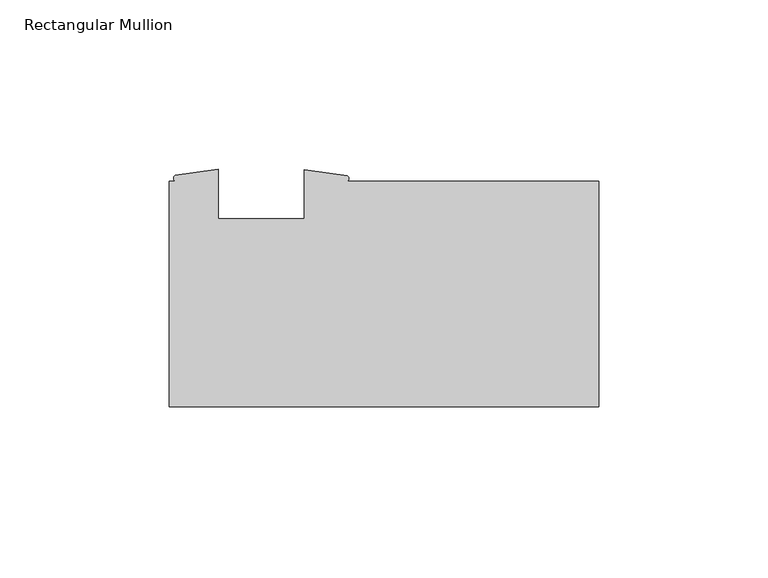
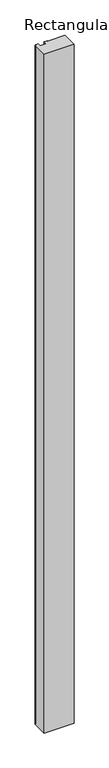
"""IFC4 building model written with IfcOpenShell, lengths in millimetres: member geometry, Rectangular Mullion."""

import ifcopenshell
import ifcopenshell.guid

model = None  # the IFC model being written
_history = None  # IfcOwnerHistory: only IFC2X3 demands one
_inside = {}  # id of a spatial element -> (the spatial element, [elements in it])
_under = {}  # id of a project, library or spatial element -> (it, [spatial elements below it])
_declared = {}  # id of a project -> (the project, [libraries it declares])
_typed = {}  # id of a type object -> (the type object, [elements of that type])
_made_of = {}  # id of a material, layer set ... -> (it, [elements and type objects made of it])


def new_model(schema):
    """Start an empty IFC model of exactly this schema.

    Asked for "IFC4X3", IfcOpenShell would pick the latest addendum, in which some entities
    have other attributes; the version numbers below select the first issue.
    IFC2X3 requires an IfcOwnerHistory on every rooted entity: one is made here for all.
    """
    global model, _history
    if schema == "IFC4X3":
        model = ifcopenshell.file(schema_version=(4, 3, 0, 0))
    else:
        model = ifcopenshell.file(schema=schema)
    _inside.clear()
    _under.clear()
    _declared.clear()
    _typed.clear()
    _made_of.clear()
    _history = None
    if model.schema == "IFC2X3":
        org = make("IfcOrganization", Name="unknown")
        user = make(
            "IfcPersonAndOrganization",
            ThePerson=make("IfcPerson", FamilyName="unknown"),
            TheOrganization=org,
        )
        app = make(
            "IfcApplication",
            ApplicationDeveloper=org,
            Version="unknown",
            ApplicationFullName="unknown",
            ApplicationIdentifier="unknown",
        )
        _history = make(
            "IfcOwnerHistory",
            OwningUser=user,
            OwningApplication=app,
            ChangeAction="ADDED",
            CreationDate=0,
        )
    return model


def make(cls, **values):
    """One entity of the class cls with the attributes given. An attribute that is None is left unset."""
    return model.create_entity(
        cls, **{name: value for name, value in values.items() if value is not None}
    )


def rooted(cls, **values):
    """An entity with a GlobalId (a new one), such as an element, a storey or a relation."""
    return make(cls, GlobalId=ifcopenshell.guid.new(), OwnerHistory=_history, **values)


def si_unit(unit_type, name, prefix=None):
    """IfcSIUnit, for example si_unit("LENGTHUNIT", "METRE", prefix="MILLI")."""
    return make("IfcSIUnit", UnitType=unit_type, Prefix=prefix, Name=name)


def assignment(units):
    """IfcUnitAssignment: the units of a project."""
    return None if units is None else make("IfcUnitAssignment", Units=units)


def point(xyz):
    """IfcCartesianPoint."""
    return None if xyz is None else make("IfcCartesianPoint", Coordinates=xyz)


def direction(xyz):
    """IfcDirection."""
    return None if xyz is None else make("IfcDirection", DirectionRatios=xyz)


def frame(location, z_axis=None, x_axis=None):
    """IfcAxis2Placement3D, a coordinate frame: its origin and axes. An axis left out is left unset."""
    return make(
        "IfcAxis2Placement3D",
        Location=point(location),
        Axis=direction(z_axis),
        RefDirection=direction(x_axis),
    )


def frame_2d(location, x_axis=None):
    """IfcAxis2Placement2D, a coordinate frame in the plane: its origin and x axis."""
    return make(
        "IfcAxis2Placement2D", Location=point(location), RefDirection=direction(x_axis)
    )


def origin():
    """The frame at (0, 0, 0) with its axes left unset."""
    return frame((0.0, 0.0, 0.0))


def place(relative_to, where):
    """IfcLocalPlacement: puts the frame where relative to a parent placement (None: the world)."""
    return make(
        "IfcLocalPlacement", PlacementRelTo=relative_to, RelativePlacement=where
    )


def context(
    kind, dimensions, precision=None, world=None, true_north=None, identifier=None
):
    """IfcGeometricRepresentationContext, for example the 3D "Model" context."""
    return make(
        "IfcGeometricRepresentationContext",
        ContextIdentifier=identifier,
        ContextType=kind,
        CoordinateSpaceDimension=dimensions,
        Precision=precision,
        WorldCoordinateSystem=world,
        TrueNorth=true_north,
    )


def project(units=None, contexts=None):
    """IfcProject with its units and contexts."""
    return rooted(
        "IfcProject",
        Name="project",
        RepresentationContexts=contexts,
        UnitsInContext=assignment(units),
    )


def spatial(cls, under=None, at=None, **own):
    """A site, building, storey or space (cls), placed at a placement, below another one or the project."""
    s = rooted(cls, ObjectPlacement=at, **own)
    if under is not None:
        _under.setdefault(under.id(), (under, []))[1].append(s)
    return s


def polyline(points):
    """IfcPolyline through the points."""
    return make("IfcPolyline", Points=[point(p) for p in points])


def circle_curve(where, radius):
    """IfcCircle in the frame where."""
    return make("IfcCircle", Position=where, Radius=radius)


def trimmed(basis, trim1, trim2, sense, master):
    """IfcTrimmedCurve: the piece of a basis curve between two trims."""
    return make(
        "IfcTrimmedCurve",
        BasisCurve=basis,
        Trim1=trim1,
        Trim2=trim2,
        SenseAgreement=sense,
        MasterRepresentation=master,
    )


def segment(curve, same_sense, transition):
    """IfcCompositeCurveSegment."""
    return make(
        "IfcCompositeCurveSegment",
        Transition=transition,
        SameSense=same_sense,
        ParentCurve=curve,
    )


def composite_curve(segments, self_intersect=None):
    """IfcCompositeCurve: segments joined end to end."""
    return make("IfcCompositeCurve", Segments=segments, SelfIntersect=self_intersect)


def outline(outer, holes=None, kind="AREA"):
    """IfcArbitraryClosedProfileDef: a profile drawn as a closed curve; with holes, ...WithVoids."""
    if holes is None:
        return make("IfcArbitraryClosedProfileDef", ProfileType=kind, OuterCurve=outer)
    return make(
        "IfcArbitraryProfileDefWithVoids",
        ProfileType=kind,
        OuterCurve=outer,
        InnerCurves=holes,
    )


def extrude(swept, where, along, depth):
    """IfcExtrudedAreaSolid: the profile swept, set in the frame where, extruded along a direction by depth."""
    return make(
        "IfcExtrudedAreaSolid",
        SweptArea=swept,
        Position=where,
        ExtrudedDirection=direction(along),
        Depth=depth,
    )


def shape(context_of_items, identifier, shape_type, items):
    """IfcShapeRepresentation: the items that make up one representation, for example the "Body"."""
    return make(
        "IfcShapeRepresentation",
        ContextOfItems=context_of_items,
        RepresentationIdentifier=identifier,
        RepresentationType=shape_type,
        Items=items,
    )


def source(mapping_origin, context_of_items, identifier, shape_type, items):
    """IfcRepresentationMap: a shape defined once, which mapped items show again and again."""
    return make(
        "IfcRepresentationMap",
        MappingOrigin=mapping_origin,
        MappedRepresentation=shape(context_of_items, identifier, shape_type, items),
    )


def transform(
    local_origin,
    x_axis=None,
    y_axis=None,
    z_axis=None,
    scale=None,
    scale2=None,
    scale3=None,
    uniform=True,
):
    """IfcCartesianTransformationOperator3D, or its non-uniform kind. x_axis, y_axis, z_axis: its Axis1, 2, 3."""
    if uniform:
        return make(
            "IfcCartesianTransformationOperator3D",
            Axis1=direction(x_axis),
            Axis2=direction(y_axis),
            LocalOrigin=point(local_origin),
            Scale=scale,
            Axis3=direction(z_axis),
        )
    return make(
        "IfcCartesianTransformationOperator3DnonUniform",
        Axis1=direction(x_axis),
        Axis2=direction(y_axis),
        LocalOrigin=point(local_origin),
        Scale=scale,
        Axis3=direction(z_axis),
        Scale2=scale2,
        Scale3=scale3,
    )


def mapped(mapping_source, mapping_target):
    """IfcMappedItem: shows the shape of a source again, moved by a transform."""
    return make(
        "IfcMappedItem", MappingSource=mapping_source, MappingTarget=mapping_target
    )


def made_of(thing, what):
    """Note that an element or type object is made of a material, layer set ...; save() writes the relation."""
    if what is not None:
        _made_of.setdefault(what.id(), (what, []))[1].append(thing)
    return thing


def element(
    cls,
    number,
    at=None,
    inside=None,
    cuts=None,
    type_object=None,
    material=None,
    context=None,
    identifier="Body",
    shape_type=None,
    held_by="IfcProductDefinitionShape",
    body=None,
    shapes=None,
    **own,
):
    """One element of the class cls, such as IfcWall. Its Tag is "e" and its number.

    at: its placement. inside: the storey or other place that contains it. cuts: it is an
    opening in that element (IfcRelVoidsElement). A single representation is given by context,
    identifier, shape_type and body (its items); several are given by shapes. held_by: the class
    of the entity that holds the representations. save() writes the other relations.
    """
    e = rooted(cls, Tag="e%d" % number, ObjectPlacement=at, **own)
    if body is not None:
        shapes = [shape(context, identifier, shape_type, body)]
    if shapes is not None:
        e.Representation = make(held_by, Representations=shapes)
    if inside is not None:
        _inside.setdefault(inside.id(), (inside, []))[1].append(e)
    if cuts is not None:
        rooted(
            "IfcRelVoidsElement", RelatingBuildingElement=cuts, RelatedOpeningElement=e
        )
    if type_object is not None:
        _typed.setdefault(type_object.id(), (type_object, []))[1].append(e)
    return made_of(e, material)


def aggregate(whole, parts):
    """IfcRelAggregates: a whole, such as a stair, and the parts it consists of."""
    return rooted("IfcRelAggregates", RelatingObject=whole, RelatedObjects=parts)


def save(model, path):
    """Write the relations noted so far, then the file.

    IfcRelAggregates (storeys below a building ...), IfcRelContainedInSpatialStructure (elements
    in a storey), IfcRelDefinesByType, IfcRelAssociatesMaterial and IfcRelDeclares: one each for
    every whole, place, type object, material and project.
    """
    for whole, parts in _under.values():
        aggregate(whole, parts)
    for where, things in _inside.values():
        rooted(
            "IfcRelContainedInSpatialStructure",
            RelatedElements=things,
            RelatingStructure=where,
        )
    for kind, things in _typed.values():
        rooted("IfcRelDefinesByType", RelatedObjects=things, RelatingType=kind)
    for what, things in _made_of.values():
        rooted("IfcRelAssociatesMaterial", RelatedObjects=things, RelatingMaterial=what)
    for by, libraries in _declared.values():
        rooted("IfcRelDeclares", RelatingContext=by, RelatedDefinitions=libraries)
    model.write(path)


def rectangular_mullion_0e2d1cdb(model_context):
    return source(origin(), model_context, "Body", "SweptSolid", [
        extrude(outline(composite_curve([segment(polyline([(-127.0, -33.3375), (-127.0, 33.3375), (-125.2695278, 33.3375)]), True, "CONTINUOUS"), segment(trimmed(circle_curve(frame_2d((-124.7053402, 34.1692022)), 1.0050056), [point((-125.2695278, 33.3375))], [point((-125.2695278, 35.0009044))], False, "CARTESIAN"), True, "CONTINUOUS"), segment(polyline([(-125.2695278, 35.0009044), (-112.496475, 36.8570217), (-112.496475, 22.225), (-87.096475, 22.225), (-87.096475, 36.7335), (-74.3251874, 34.9233963)]), True, "CONTINUOUS"), segment(trimmed(circle_curve(frame_2d((-74.7830161, 34.1304481)), 0.9156276), [point((-74.3251874, 34.9233963))], [point((-74.3251874, 33.3375))], False, "CARTESIAN"), True, "CONTINUOUS"), segment(polyline([(-74.3251874, 33.3375), (0.0, 33.3375), (0.0, -33.3375), (-127.0, -33.3375)]), True, "CONTINUOUS")], self_intersect=False)), frame((0.0, 0.0, -3048.0), z_axis=(0.0, 0.0, 1.0), x_axis=(1.0, 0.0, 0.0)), (0.0, 0.0, 1.0), 3048.0),
    ])


if __name__ == "__main__":
    model = new_model("IFC4")
    model_context = context("Model", 3, world=origin())
    ifc_project = project(units=[si_unit("LENGTHUNIT", "METRE", prefix="MILLI")], contexts=[model_context])
    site = spatial("IfcSite", under=ifc_project)
    building = spatial("IfcBuilding", under=site)
    placement = place(None, origin())
    rectangular_mullion_shape = rectangular_mullion_0e2d1cdb(model_context)
    element("IfcMember", 1, ObjectType="Rectangular Mullion", at=placement, inside=building, context=model_context, shape_type="MappedRepresentation", body=[
        mapped(rectangular_mullion_shape, transform((0.0, 0.0, 0.0), x_axis=(1.0, 0.0, 0.0), y_axis=(0.0, 1.0, 0.0), z_axis=(0.0, 0.0, 1.0))),
    ])
    save(model, "model.ifc")
